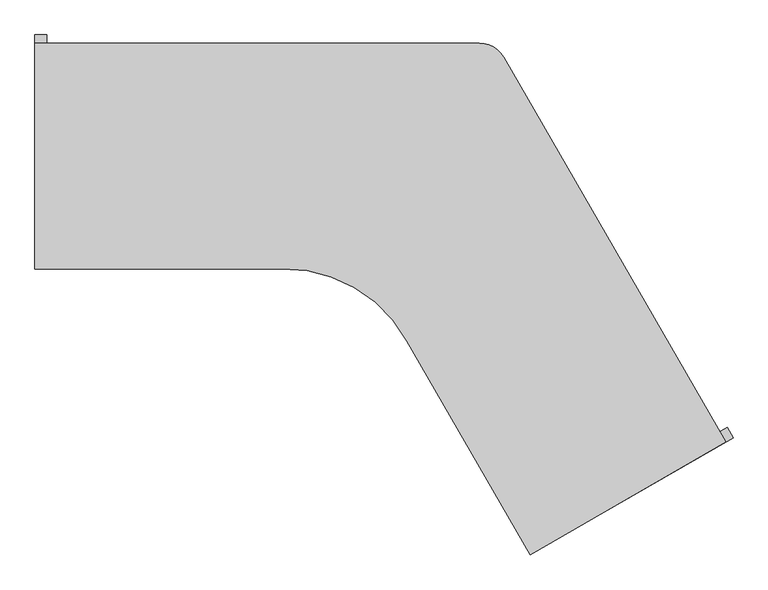
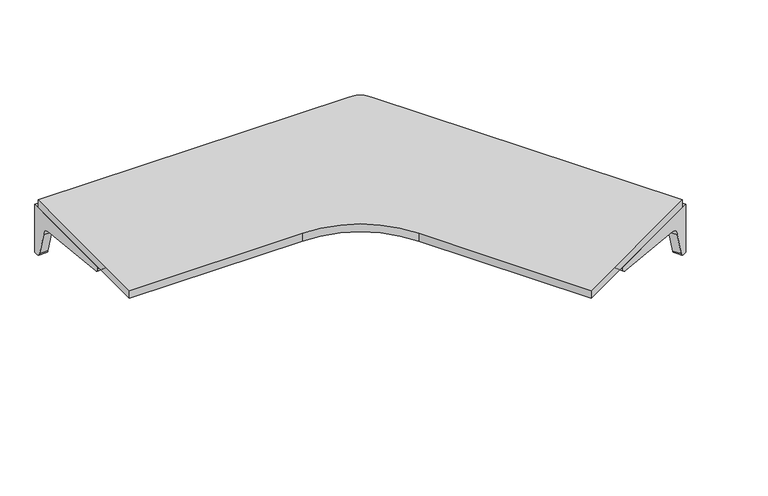
"""IFC4 building model written with IfcOpenShell, lengths in millimetres: furniture geometry."""

from ifc_helpers import new_model, si_unit, point, frame, frame_2d, origin, place, context, project, spatial, polyline, circle_curve, trimmed, segment, composite_curve, outline, extrude, source, transform, mapped, element, save


def furniture_041866e7(model_context):
    return source(origin(), model_context, "Body", "SweptSolid", [
        extrude(outline(composite_curve([segment(polyline([(325.43877, 704.85), (325.43877, 511.175), (312.73877, 511.175)]), True, "CONTINUOUS"), segment(trimmed(circle_curve(frame_2d((310.4218781, 528.3371622)), 17.3178462), [point((312.73877, 511.175))], [point((293.68877, 523.875))], False, "CARTESIAN"), True, "CONTINUOUS"), segment(polyline([(293.68877, 523.875), (268.28877, 615.95)]), True, "CONTINUOUS"), segment(trimmed(circle_curve(frame_2d((232.9308155, 612.3420455)), 35.5415572), [point((268.28877, 615.95))], [point((236.53877, 647.7))], True, "CARTESIAN"), True, "CONTINUOUS"), segment(polyline([(236.53877, 647.7), (-74.61123, 679.45)]), True, "CONTINUOUS"), segment(trimmed(circle_curve(frame_2d((-74.61123, 698.5)), 19.05), [point((-74.61123, 679.45))], [point((-93.66123, 698.5))], False, "CARTESIAN"), True, "CONTINUOUS"), segment(polyline([(-93.66123, 698.5), (-93.66123, 704.85), (325.43877, 704.85)]), True, "CONTINUOUS")], self_intersect=False)), frame((-900.8094125, 0.0, 0.0), z_axis=(1.0, 0.0, 0.0), x_axis=(0.0, 1.0, 0.0)), (0.0, 0.0, 1.0), 31.75),
        extrude(outline(composite_curve([segment(polyline([(0.0, 0.0), (0.0, -419.1000001), (-6.35, -419.1000001)]), True, "CONTINUOUS"), segment(trimmed(circle_curve(frame_2d((-6.35, -400.05)), 19.05), [point((-6.35, -419.1000001))], [point((-25.4, -400.05))], False, "CARTESIAN"), True, "CONTINUOUS"), segment(polyline([(-25.4, -400.05), (-57.15, -88.9)]), True, "CONTINUOUS"), segment(trimmed(circle_curve(frame_2d((-92.5079545, -92.5079546)), 35.5415572), [point((-57.15, -88.9))], [point((-88.9, -57.1500001))], True, "CARTESIAN"), True, "CONTINUOUS"), segment(polyline([(-88.9, -57.1500001), (-180.975, -31.75)]), True, "CONTINUOUS"), segment(trimmed(circle_curve(frame_2d((-176.5128378, -15.0168919)), 17.3178462), [point((-180.975, -31.75))], [point((-193.675, -12.7000001))], False, "CARTESIAN"), True, "CONTINUOUS"), segment(polyline([(-193.675, -12.7000001), (-193.675, 0.0), (0.0, 0.0)]), True, "CONTINUOUS")], self_intersect=False)), frame((973.0485667, -756.5531547, 704.85), z_axis=(-0.5000000000000011, 0.866025403784438, 0.0), x_axis=(0.0, 0.0, 1.0)), (0.0, 0.0, 1.0), 31.75),
        extrude(outline(composite_curve([segment(polyline([(-238.125, -303.21377), (-900.8094125, -303.21377), (-900.8094125, 303.21377), (291.5345374, 303.21377)]), True, "CONTINUOUS"), segment(trimmed(circle_curve(frame_2d((292.6960348, 229.0255424)), 74.1973193), [point((291.5345374, 303.21377))], [point((357.5256732, 265.11377))], False, "CARTESIAN"), True, "CONTINUOUS"), segment(polyline([(357.5256732, 265.11377), (953.8011521, -767.6656547), (428.6194969, -1070.8794247), (97.2276813, -496.8919628)]), True, "CONTINUOUS"), segment(trimmed(circle_curve(frame_2d((-229.2284772, -674.9792112)), 371.871875), [point((97.2276813, -496.8919628))], [point((-238.125, -303.21377))], True, "CARTESIAN"), True, "CONTINUOUS")], self_intersect=False)), frame((0.0, 0.0, 704.85), z_axis=(0.0, 0.0, 1.0), x_axis=(1.0, 0.0, 0.0)), (0.0, 0.0, 1.0), 31.75),
    ])


if __name__ == "__main__":
    model = new_model("IFC4")
    model_context = context("Model", 3, world=origin())
    ifc_project = project(units=[si_unit("LENGTHUNIT", "METRE", prefix="MILLI")], contexts=[model_context])
    site = spatial("IfcSite", under=ifc_project)
    building = spatial("IfcBuilding", under=site)
    placement = place(None, origin())
    furniture_shape = furniture_041866e7(model_context)
    element("IfcFurniture", 1, at=placement, inside=building, context=model_context, shape_type="MappedRepresentation", body=[
        mapped(furniture_shape, transform((0.0, 0.0, 0.0), x_axis=(1.0, 0.0, 0.0), y_axis=(0.0, 1.0, 0.0), z_axis=(0.0, 0.0, 1.0))),
    ])
    save(model, "model.ifc")
